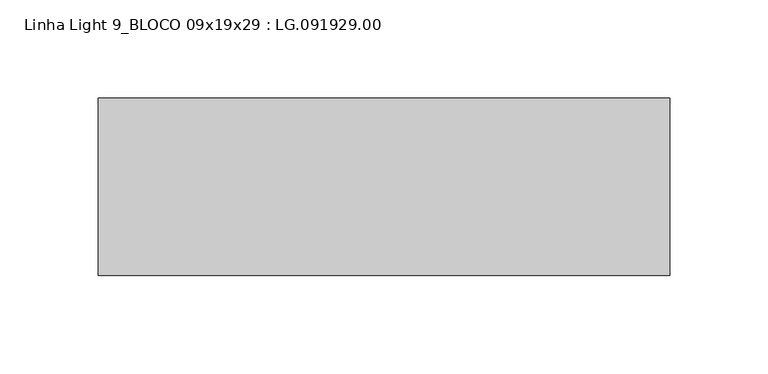
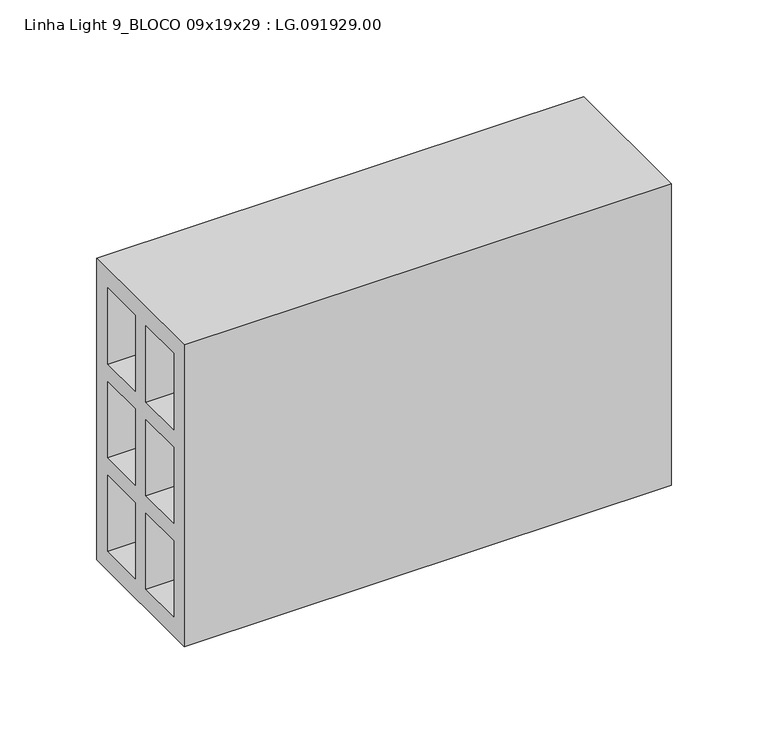
"""IFC4 building model written with IfcOpenShell, lengths in millimetres: proxy geometry, Linha Light 9_BLOCO 09x19x29 : LG.091929.00."""

from ifc_helpers import new_model, si_unit, frame, origin, place, context, project, spatial, polyline, outline, extrude, source, transform, mapped, element, save


def linha_light_9_bloco_09x19x29_lg_091929_00_737abd9b(model_context):
    return source(origin(), model_context, "Body", "SweptSolid", [
        extrude(outline(polyline([(-45.0, 0.0390625), (-45.0, 190.0390625), (45.0, 190.0390625), (45.0, 0.0390625), (-45.0, 0.0390625)]), holes=[polyline([(5.5, 178.0390625), (5.5, 130.0390625), (34.0, 130.0390625), (34.0, 178.0390625), (5.5, 178.0390625)]), polyline([(-34.0, 178.0390625), (-34.0, 130.0390625), (-5.5, 130.0390625), (-5.5, 178.0390625), (-34.0, 178.0390625)]), polyline([(-5.5, 119.0390625), (-34.0, 119.0390625), (-34.0, 71.0390625), (-5.5, 71.0390625), (-5.5, 119.0390625)]), polyline([(34.0, 71.0390625), (34.0, 119.0390625), (5.5, 119.0390625), (5.5, 71.0390625), (34.0, 71.0390625)]), polyline([(34.0, 60.0390625), (5.5, 60.0390625), (5.5, 12.0390625), (34.0, 12.0390625), (34.0, 60.0390625)]), polyline([(-5.5, 60.0390625), (-34.0, 60.0390625), (-34.0, 12.0390625), (-5.5, 12.0390625), (-5.5, 60.0390625)])]), frame((5.0, 0.0, 0.0), z_axis=(1.0, 0.0, 0.0), x_axis=(0.0, 1.0, 0.0)), (0.0, 0.0, 1.0), 290.0),
    ])


if __name__ == "__main__":
    model = new_model("IFC4")
    model_context = context("Model", 3, world=origin())
    ifc_project = project(units=[si_unit("LENGTHUNIT", "METRE", prefix="MILLI")], contexts=[model_context])
    site = spatial("IfcSite", under=ifc_project)
    building = spatial("IfcBuilding", under=site)
    placement = place(None, origin())
    linha_light_9_bloco_09x19x29_lg_091929_00_shape = linha_light_9_bloco_09x19x29_lg_091929_00_737abd9b(model_context)
    element("IfcBuildingElementProxy", 1, Name="Linha Light 9_BLOCO 09x19x29 : LG.091929.00", ObjectType="Linha Light 9_BLOCO 09x19x29 : LG.091929.00", at=placement, inside=building, context=model_context, shape_type="MappedRepresentation", body=[
        mapped(linha_light_9_bloco_09x19x29_lg_091929_00_shape, transform((0.0, 0.0, 0.0), x_axis=(1.0, 0.0, 0.0), y_axis=(0.0, 1.0, 0.0), z_axis=(0.0, 0.0, 1.0))),
    ])
    save(model, "model.ifc")
